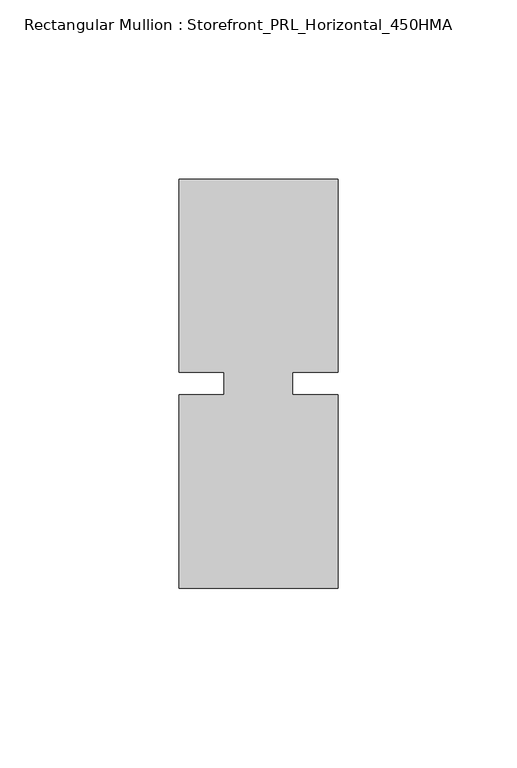
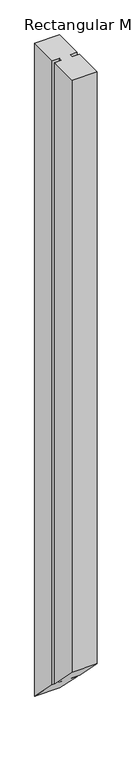
"""IFC4 building model written with IfcOpenShell, lengths in millimetres: member geometry, Rectangular Mullion : Storefront_PRL_Horizontal_450HMA."""

from ifc_helpers import new_model, si_unit, origin, place, context, project, spatial, faceted_brep, source, transform, mapped, element, save


def rectangular_mullion_storefront_prl_horizontal_450hma_893a0caf(model_context):
    return source(origin(), model_context, "Body", "Brep", [
        faceted_brep([(-9.525, -3.175, 0.0), (-22.225, -3.175, 0.0), (-22.225, -57.15, 0.0), (22.225, -57.15, 0.0), (22.225, -3.175, 0.0), (9.525, -3.175, 0.0), (9.525, 3.175, 0.0), (22.225, 3.175, 0.0), (22.225, 57.15, 0.0), (-22.225, 57.15, 0.0), (-22.225, 3.175, 0.0), (-9.525, 3.175, 0.0), (-9.525, -3.175, -1165.225), (-22.225, -3.175, -1165.225), (-22.225, -57.15, -1111.25), (22.225, -57.15, -1111.25), (22.225, -3.175, -1165.225), (9.525, -3.175, -1165.225), (9.525, 3.175, -1171.575), (22.225, 3.175, -1171.575), (22.225, 57.15, -1225.55), (-22.225, 57.15, -1225.55), (-22.225, 3.175, -1171.575), (-9.525, 3.175, -1171.575)], [[[0, 1, 2, 3, 4, 5, 6, 7, 8, 9, 10, 11]], [[1, 0, 12, 13]], [[2, 1, 13, 14]], [[3, 2, 14, 15]], [[4, 3, 15, 16]], [[5, 4, 16, 17]], [[6, 5, 17, 18]], [[7, 6, 18, 19]], [[8, 7, 19, 20]], [[9, 8, 20, 21]], [[10, 9, 21, 22]], [[11, 10, 22, 23]], [[0, 11, 23, 12]], [[12, 23, 22, 21, 20, 19, 18, 17, 16, 15, 14, 13]]]),
    ])


if __name__ == "__main__":
    model = new_model("IFC4")
    model_context = context("Model", 3, world=origin())
    ifc_project = project(units=[si_unit("LENGTHUNIT", "METRE", prefix="MILLI")], contexts=[model_context])
    site = spatial("IfcSite", under=ifc_project)
    building = spatial("IfcBuilding", under=site)
    placement = place(None, origin())
    rectangular_mullion_storefront_prl_horizontal_450hma_shape = rectangular_mullion_storefront_prl_horizontal_450hma_893a0caf(model_context)
    element("IfcMember", 1, ObjectType="Rectangular Mullion : Storefront_PRL_Horizontal_450HMA", at=placement, inside=building, context=model_context, shape_type="MappedRepresentation", body=[
        mapped(rectangular_mullion_storefront_prl_horizontal_450hma_shape, transform((0.0, 0.0, 0.0), x_axis=(1.0, 0.0, 0.0), y_axis=(0.0, 1.0, 0.0), z_axis=(0.0, 0.0, 1.0))),
    ])
    save(model, "model.ifc")
